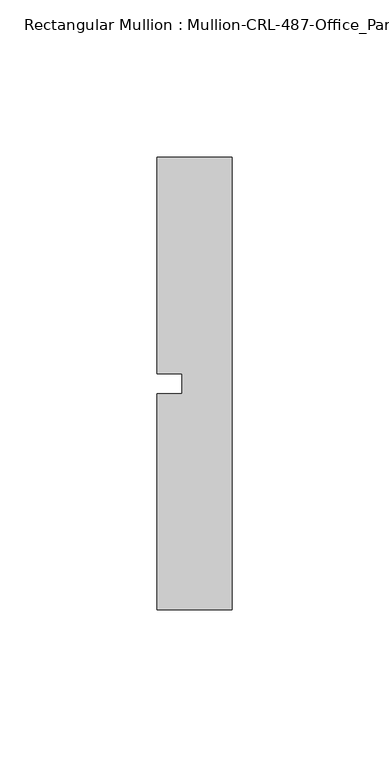
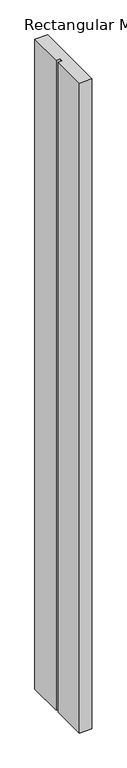
"""IFC4 building model written with IfcOpenShell, lengths in millimetres: member geometry, Rectangular Mullion : Mullion-CRL-487-Office_Partition-Right_Jamb."""

from ifc_helpers import new_model, si_unit, frame, origin, place, context, project, spatial, polyline, outline, extrude, source, transform, mapped, element, save


def rectangular_mullion_mullion_crl_487_office_partition_right_2c91ad42(model_context):
    return source(origin(), model_context, "Body", "SweptSolid", [
        extrude(outline(polyline([(-23.7998, -71.9452143), (-23.7998, -3.175), (-15.8623, -3.175), (-15.8623, 3.175), (-23.7998, 3.175), (-23.7998, 71.9452142), (0.0, 71.9452142), (0.0, -71.9452143), (-23.7998, -71.9452143)])), frame((0.0, 0.0, -1289.05), z_axis=(0.0, 0.0, 1.0), x_axis=(1.0, 0.0, 0.0)), (0.0, 0.0, 1.0), 1289.05),
    ])


if __name__ == "__main__":
    model = new_model("IFC4")
    model_context = context("Model", 3, world=origin())
    ifc_project = project(units=[si_unit("LENGTHUNIT", "METRE", prefix="MILLI")], contexts=[model_context])
    site = spatial("IfcSite", under=ifc_project)
    building = spatial("IfcBuilding", under=site)
    placement = place(None, origin())
    rectangular_mullion_mullion_crl_487_office_partition_right_shape = rectangular_mullion_mullion_crl_487_office_partition_right_2c91ad42(model_context)
    element("IfcMember", 1, ObjectType="Rectangular Mullion : Mullion-CRL-487-Office_Partition-Right_Jamb", at=placement, inside=building, context=model_context, shape_type="MappedRepresentation", body=[
        mapped(rectangular_mullion_mullion_crl_487_office_partition_right_shape, transform((0.0, 0.0, 0.0), x_axis=(1.0, 0.0, 0.0), y_axis=(0.0, 1.0, 0.0), z_axis=(0.0, 0.0, 1.0))),
    ])
    save(model, "model.ifc")
